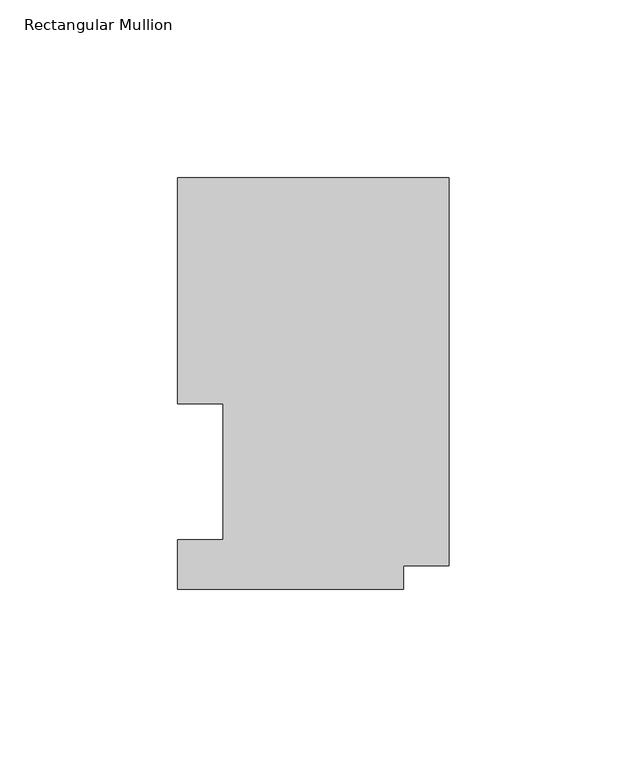
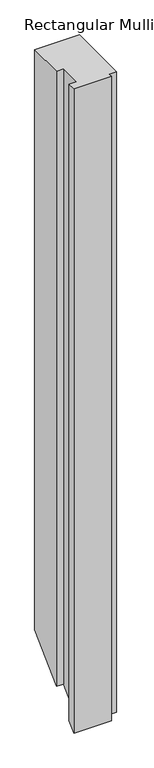
"""IFC4 building model written with IfcOpenShell, lengths in millimetres: member geometry, Rectangular Mullion."""

from ifc_helpers import new_model, si_unit, origin, place, context, project, spatial, faceted_brep, source, transform, mapped, element, save


def rectangular_mullion_de154fcf(model_context):
    return source(origin(), model_context, "Body", "Brep", [
        faceted_brep([(0.0, 116.0859375, 0.0), (-76.2, 116.0859375, 0.0), (-76.2, 52.5859375, 0.0), (-63.5, 52.5859375, 0.0), (-63.5, 14.4859375, 0.0), (-76.2, 14.4859375, 0.0), (-76.2, 0.5159205, 0.0), (-12.7, 0.5159205, 0.0), (-12.7, 7.1611307, 0.0), (0.0, 7.1611307, 0.0), (0.0, 116.0859375, -1040.577469), (-76.2, 116.0859375, -1040.577469), (-76.2, 52.5859375, -1104.077469), (-63.5, 52.5859375, -1104.077469), (-63.5, 14.4859375, -1142.177469), (-76.2, 14.4859375, -1142.177469), (-76.2, 0.5159205, -1156.147486), (-12.7, 0.5159205, -1156.147486), (-12.7, 7.1611307, -1149.5022759), (0.0, 7.1611307, -1149.5022759)], [[[0, 1, 2, 3, 4, 5, 6, 7, 8, 9]], [[1, 0, 10, 11]], [[2, 1, 11, 12]], [[3, 2, 12, 13]], [[4, 3, 13, 14]], [[5, 4, 14, 15]], [[6, 5, 15, 16]], [[7, 6, 16, 17]], [[8, 7, 17, 18]], [[9, 8, 18, 19]], [[0, 9, 19, 10]], [[10, 19, 18, 17, 16, 15, 14, 13, 12, 11]]]),
    ])


if __name__ == "__main__":
    model = new_model("IFC4")
    model_context = context("Model", 3, world=origin())
    ifc_project = project(units=[si_unit("LENGTHUNIT", "METRE", prefix="MILLI")], contexts=[model_context])
    site = spatial("IfcSite", under=ifc_project)
    building = spatial("IfcBuilding", under=site)
    placement = place(None, origin())
    rectangular_mullion_shape = rectangular_mullion_de154fcf(model_context)
    element("IfcMember", 1, ObjectType="Rectangular Mullion", at=placement, inside=building, context=model_context, shape_type="MappedRepresentation", body=[
        mapped(rectangular_mullion_shape, transform((0.0, 0.0, 0.0), x_axis=(1.0, 0.0, 0.0), y_axis=(0.0, 1.0, 0.0), z_axis=(0.0, 0.0, 1.0))),
    ])
    save(model, "model.ifc")
